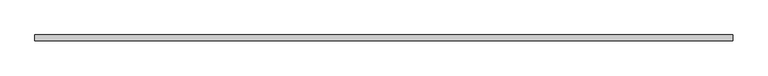
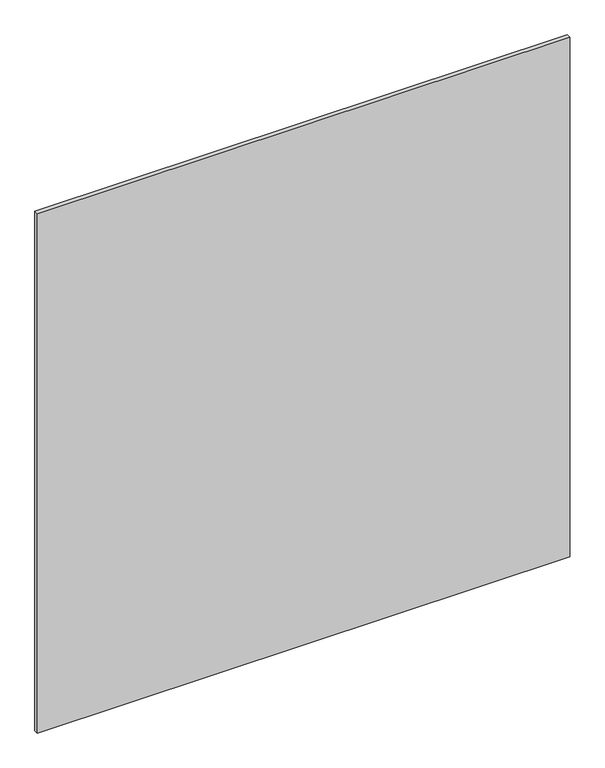
"""IFC4 building model written with IfcOpenShell, lengths in millimetres: plate geometry."""

from ifc_helpers import new_model, si_unit, origin, origin_with_axes, place, context, project, spatial, polyline, outline, extrude, source, transform, mapped, element, save


def plate_5e9e589d(model_context):
    return source(origin(), model_context, "Body", "SweptSolid", [
        extrude(outline(polyline([(636.9, 5.2), (636.9, -5.2), (-636.9, -5.2), (-636.9, 5.2), (636.9, 5.2)])), origin_with_axes(), (0.0, 0.0, 1.0), 1313.8),
    ])


if __name__ == "__main__":
    model = new_model("IFC4")
    model_context = context("Model", 3, world=origin())
    ifc_project = project(units=[si_unit("LENGTHUNIT", "METRE", prefix="MILLI")], contexts=[model_context])
    site = spatial("IfcSite", under=ifc_project)
    building = spatial("IfcBuilding", under=site)
    placement = place(None, origin())
    plate_shape = plate_5e9e589d(model_context)
    element("IfcPlate", 1, at=placement, inside=building, context=model_context, shape_type="MappedRepresentation", body=[
        mapped(plate_shape, transform((0.0, 0.0, 0.0), x_axis=(1.0, 0.0, 0.0), y_axis=(0.0, 1.0, 0.0), z_axis=(0.0, 0.0, 1.0))),
    ])
    save(model, "model.ifc")
